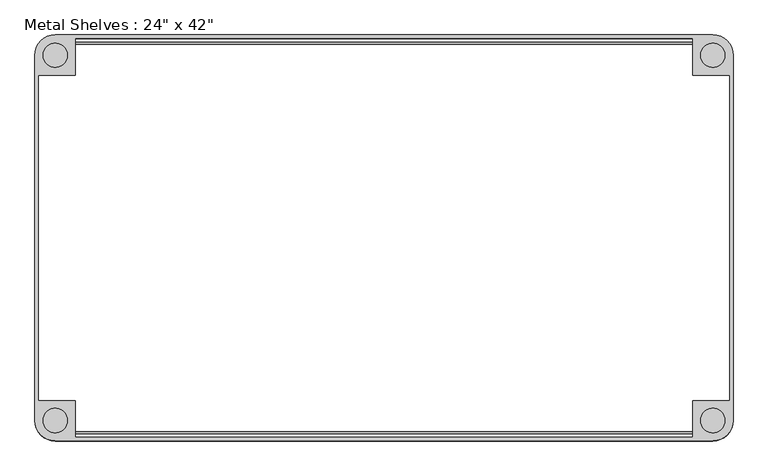
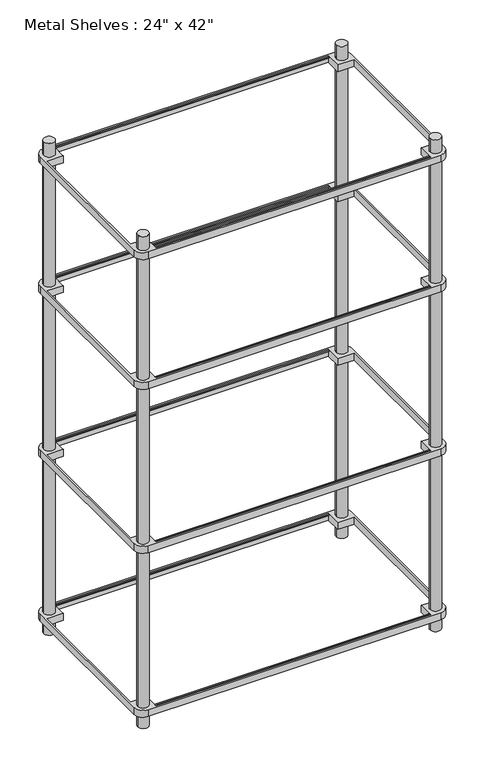
"""IFC4 building model written with IfcOpenShell, lengths in millimetres: furniture geometry."""

from ifc_helpers import new_model, si_unit, point, frame, frame_2d, origin, origin_with_axes, place, context, project, spatial, polyline, circle_curve, trimmed, segment, composite_curve, outline, extrude, source, transform, mapped, element, save


def furniture_14bb7b5d(model_context):
    return source(origin(), model_context, "Body", "SweptSolid", [
        extrude(outline(composite_curve([segment(trimmed(circle_curve(frame_2d((590.55, -285.75)), 31.75), [point((622.3, -285.75))], [point((590.55, -317.5))], False, "CARTESIAN"), True, "CONTINUOUS"), segment(polyline([(590.55, -317.5), (-438.15, -317.5)]), True, "CONTINUOUS"), segment(trimmed(circle_curve(frame_2d((-438.15, -285.75)), 31.75), [point((-438.15, -317.5))], [point((-469.9, -285.75))], False, "CARTESIAN"), True, "CONTINUOUS"), segment(polyline([(-469.9, -285.75), (-469.9, 285.75)]), True, "CONTINUOUS"), segment(trimmed(circle_curve(frame_2d((-438.15, 285.75)), 31.75), [point((-469.9, 285.75))], [point((-438.15, 317.5))], False, "CARTESIAN"), True, "CONTINUOUS"), segment(polyline([(-438.15, 317.5), (590.55, 317.5)]), True, "CONTINUOUS"), segment(trimmed(circle_curve(frame_2d((590.55, 285.75)), 31.75), [point((590.55, 317.5))], [point((622.3, 285.75))], False, "CARTESIAN"), True, "CONTINUOUS"), segment(polyline([(622.3, 285.75), (622.3, -285.75)]), True, "CONTINUOUS")], self_intersect=False), holes=[polyline([(-406.4, -311.15), (558.8, -311.15), (558.8, -254.0), (615.95, -254.0), (615.95, 254.0), (558.8, 254.0), (558.8, 311.15), (-406.4, 311.15), (-406.4, 254.0), (-463.55, 254.0), (-463.55, -254.0), (-406.4, -254.0), (-406.4, -311.15)]), composite_curve([segment(trimmed(circle_curve(frame_2d((590.55, -285.75)), 19.05), [point((571.5, -285.75))], [point((609.6, -285.75))], True, "CARTESIAN"), True, "CONTINUOUS"), segment(trimmed(circle_curve(frame_2d((590.55, -285.75)), 19.05), [point((609.6, -285.75))], [point((571.5, -285.75))], True, "CARTESIAN"), True, "CONTINUOUS")], self_intersect=False), composite_curve([segment(trimmed(circle_curve(frame_2d((590.55, 285.75)), 19.05), [point((571.5, 285.75))], [point((609.6, 285.75))], True, "CARTESIAN"), True, "CONTINUOUS"), segment(trimmed(circle_curve(frame_2d((590.55, 285.75)), 19.05), [point((609.6, 285.75))], [point((571.5, 285.75))], True, "CARTESIAN"), True, "CONTINUOUS")], self_intersect=False), composite_curve([segment(trimmed(circle_curve(frame_2d((-438.15, 285.75)), 19.05), [point((-419.1, 285.75))], [point((-457.2, 285.75))], True, "CARTESIAN"), True, "CONTINUOUS"), segment(trimmed(circle_curve(frame_2d((-438.15, 285.75)), 19.05), [point((-457.2, 285.75))], [point((-419.1, 285.75))], True, "CARTESIAN"), True, "CONTINUOUS")], self_intersect=False), composite_curve([segment(trimmed(circle_curve(frame_2d((-438.15, -285.75)), 19.05), [point((-419.1, -285.75))], [point((-457.2, -285.75))], True, "CARTESIAN"), True, "CONTINUOUS"), segment(trimmed(circle_curve(frame_2d((-438.15, -285.75)), 19.05), [point((-457.2, -285.75))], [point((-419.1, -285.75))], True, "CARTESIAN"), True, "CONTINUOUS")], self_intersect=False)]), frame((0.0, 0.0, 660.4), z_axis=(0.0, 0.0, 1.0), x_axis=(1.0, 0.0, 0.0)), (0.0, 0.0, 1.0), 25.4),
        extrude(outline(composite_curve([segment(trimmed(circle_curve(frame_2d((-438.15, -285.75)), 31.75), [point((-438.15, -317.5))], [point((-469.9, -285.75))], False, "CARTESIAN"), True, "CONTINUOUS"), segment(polyline([(-469.9, -285.75), (-469.9, 285.75)]), True, "CONTINUOUS"), segment(trimmed(circle_curve(frame_2d((-438.15, 285.75)), 31.75), [point((-469.9, 285.75))], [point((-438.15, 317.5))], False, "CARTESIAN"), True, "CONTINUOUS"), segment(polyline([(-438.15, 317.5), (590.55, 317.5)]), True, "CONTINUOUS"), segment(trimmed(circle_curve(frame_2d((590.55, 285.75)), 31.75), [point((590.55, 317.5))], [point((622.3, 285.75))], False, "CARTESIAN"), True, "CONTINUOUS"), segment(polyline([(622.3, 285.75), (622.3, -285.75)]), True, "CONTINUOUS"), segment(trimmed(circle_curve(frame_2d((590.55, -285.75)), 31.75), [point((622.3, -285.75))], [point((590.55, -317.5))], False, "CARTESIAN"), True, "CONTINUOUS"), segment(polyline([(590.55, -317.5), (-438.15, -317.5)]), True, "CONTINUOUS")], self_intersect=False), holes=[composite_curve([segment(trimmed(circle_curve(frame_2d((-438.15, -285.75)), 19.05), [point((-419.1, -285.75))], [point((-457.2, -285.75))], True, "CARTESIAN"), True, "CONTINUOUS"), segment(trimmed(circle_curve(frame_2d((-438.15, -285.75)), 19.05), [point((-457.2, -285.75))], [point((-419.1, -285.75))], True, "CARTESIAN"), True, "CONTINUOUS")], self_intersect=False), composite_curve([segment(trimmed(circle_curve(frame_2d((-438.15, 285.75)), 19.05), [point((-419.1, 285.75))], [point((-457.2, 285.75))], True, "CARTESIAN"), True, "CONTINUOUS"), segment(trimmed(circle_curve(frame_2d((-438.15, 285.75)), 19.05), [point((-457.2, 285.75))], [point((-419.1, 285.75))], True, "CARTESIAN"), True, "CONTINUOUS")], self_intersect=False), composite_curve([segment(trimmed(circle_curve(frame_2d((590.55, -285.75)), 19.05), [point((571.5, -285.75))], [point((609.6, -285.75))], True, "CARTESIAN"), True, "CONTINUOUS"), segment(trimmed(circle_curve(frame_2d((590.55, -285.75)), 19.05), [point((609.6, -285.75))], [point((571.5, -285.75))], True, "CARTESIAN"), True, "CONTINUOUS")], self_intersect=False), composite_curve([segment(trimmed(circle_curve(frame_2d((590.55, 285.75)), 19.05), [point((571.5, 285.75))], [point((609.6, 285.75))], True, "CARTESIAN"), True, "CONTINUOUS"), segment(trimmed(circle_curve(frame_2d((590.55, 285.75)), 19.05), [point((609.6, 285.75))], [point((571.5, 285.75))], True, "CARTESIAN"), True, "CONTINUOUS")], self_intersect=False), polyline([(-406.4, -311.15), (558.8, -311.15), (558.8, -254.0), (615.95, -254.0), (615.95, 254.0), (558.8, 254.0), (558.8, 311.15), (-406.4, 311.15), (-406.4, 254.0), (-463.55, 254.0), (-463.55, -254.0), (-406.4, -254.0), (-406.4, -311.15)])]), frame((0.0, 0.0, 50.8), z_axis=(0.0, 0.0, 1.0), x_axis=(1.0, 0.0, 0.0)), (0.0, 0.0, 1.0), 25.4),
        extrude(outline(composite_curve([segment(trimmed(circle_curve(frame_2d((-438.15, 285.75)), 31.75), [point((-469.9, 285.75))], [point((-438.15, 317.5))], False, "CARTESIAN"), True, "CONTINUOUS"), segment(polyline([(-438.15, 317.5), (590.55, 317.5)]), True, "CONTINUOUS"), segment(trimmed(circle_curve(frame_2d((590.55, 285.75)), 31.75), [point((590.55, 317.5))], [point((622.3, 285.75))], False, "CARTESIAN"), True, "CONTINUOUS"), segment(polyline([(622.3, 285.75), (622.3, -285.75)]), True, "CONTINUOUS"), segment(trimmed(circle_curve(frame_2d((590.55, -285.75)), 31.75), [point((622.3, -285.75))], [point((590.55, -317.5))], False, "CARTESIAN"), True, "CONTINUOUS"), segment(polyline([(590.55, -317.5), (-438.15, -317.5)]), True, "CONTINUOUS"), segment(trimmed(circle_curve(frame_2d((-438.15, -285.75)), 31.75), [point((-438.15, -317.5))], [point((-469.9, -285.75))], False, "CARTESIAN"), True, "CONTINUOUS"), segment(polyline([(-469.9, -285.75), (-469.9, 285.75)]), True, "CONTINUOUS")], self_intersect=False), holes=[composite_curve([segment(trimmed(circle_curve(frame_2d((-438.15, 285.75)), 19.05), [point((-419.1, 285.75))], [point((-457.2, 285.75))], True, "CARTESIAN"), True, "CONTINUOUS"), segment(trimmed(circle_curve(frame_2d((-438.15, 285.75)), 19.05), [point((-457.2, 285.75))], [point((-419.1, 285.75))], True, "CARTESIAN"), True, "CONTINUOUS")], self_intersect=False), composite_curve([segment(trimmed(circle_curve(frame_2d((-438.15, -285.75)), 19.05), [point((-419.1, -285.75))], [point((-457.2, -285.75))], True, "CARTESIAN"), True, "CONTINUOUS"), segment(trimmed(circle_curve(frame_2d((-438.15, -285.75)), 19.05), [point((-457.2, -285.75))], [point((-419.1, -285.75))], True, "CARTESIAN"), True, "CONTINUOUS")], self_intersect=False), composite_curve([segment(trimmed(circle_curve(frame_2d((590.55, -285.75)), 19.05), [point((571.5, -285.75))], [point((609.6, -285.75))], True, "CARTESIAN"), True, "CONTINUOUS"), segment(trimmed(circle_curve(frame_2d((590.55, -285.75)), 19.05), [point((609.6, -285.75))], [point((571.5, -285.75))], True, "CARTESIAN"), True, "CONTINUOUS")], self_intersect=False), polyline([(-406.4, -311.15), (558.8, -311.15), (558.8, -254.0), (615.95, -254.0), (615.95, 254.0), (558.8, 254.0), (558.8, 311.15), (-406.4, 311.15), (-406.4, 254.0), (-463.55, 254.0), (-463.55, -254.0), (-406.4, -254.0), (-406.4, -311.15)]), composite_curve([segment(trimmed(circle_curve(frame_2d((590.55, 285.75)), 19.05), [point((571.5, 285.75))], [point((609.6, 285.75))], True, "CARTESIAN"), True, "CONTINUOUS"), segment(trimmed(circle_curve(frame_2d((590.55, 285.75)), 19.05), [point((609.6, 285.75))], [point((571.5, 285.75))], True, "CARTESIAN"), True, "CONTINUOUS")], self_intersect=False)]), frame((0.0, 0.0, 1270.0), z_axis=(0.0, 0.0, 1.0), x_axis=(1.0, 0.0, 0.0)), (0.0, 0.0, 1.0), 25.4),
        extrude(outline(composite_curve([segment(trimmed(circle_curve(frame_2d((-438.15, -285.75)), 31.75), [point((-438.15, -317.5))], [point((-469.9, -285.75))], False, "CARTESIAN"), True, "CONTINUOUS"), segment(polyline([(-469.9, -285.75), (-469.9, 285.75)]), True, "CONTINUOUS"), segment(trimmed(circle_curve(frame_2d((-438.15, 285.75)), 31.75), [point((-469.9, 285.75))], [point((-438.15, 317.5))], False, "CARTESIAN"), True, "CONTINUOUS"), segment(polyline([(-438.15, 317.5), (590.55, 317.5)]), True, "CONTINUOUS"), segment(trimmed(circle_curve(frame_2d((590.55, 285.75)), 31.75), [point((590.55, 317.5))], [point((622.3, 285.75))], False, "CARTESIAN"), True, "CONTINUOUS"), segment(polyline([(622.3, 285.75), (622.3, -285.75)]), True, "CONTINUOUS"), segment(trimmed(circle_curve(frame_2d((590.55, -285.75)), 31.75), [point((622.3, -285.75))], [point((590.55, -317.5))], False, "CARTESIAN"), True, "CONTINUOUS"), segment(polyline([(590.55, -317.5), (-438.15, -317.5)]), True, "CONTINUOUS")], self_intersect=False), holes=[composite_curve([segment(trimmed(circle_curve(frame_2d((590.55, 285.75)), 19.05), [point((571.5, 285.75))], [point((609.6, 285.75))], True, "CARTESIAN"), True, "CONTINUOUS"), segment(trimmed(circle_curve(frame_2d((590.55, 285.75)), 19.05), [point((609.6, 285.75))], [point((571.5, 285.75))], True, "CARTESIAN"), True, "CONTINUOUS")], self_intersect=False), composite_curve([segment(trimmed(circle_curve(frame_2d((590.55, -285.75)), 19.05), [point((571.5, -285.75))], [point((609.6, -285.75))], True, "CARTESIAN"), True, "CONTINUOUS"), segment(trimmed(circle_curve(frame_2d((590.55, -285.75)), 19.05), [point((609.6, -285.75))], [point((571.5, -285.75))], True, "CARTESIAN"), True, "CONTINUOUS")], self_intersect=False), composite_curve([segment(trimmed(circle_curve(frame_2d((-438.15, 285.75)), 19.05), [point((-419.1, 285.75))], [point((-457.2, 285.75))], True, "CARTESIAN"), True, "CONTINUOUS"), segment(trimmed(circle_curve(frame_2d((-438.15, 285.75)), 19.05), [point((-457.2, 285.75))], [point((-419.1, 285.75))], True, "CARTESIAN"), True, "CONTINUOUS")], self_intersect=False), polyline([(615.95, -254.0), (615.95, 254.0), (558.8, 254.0), (558.8, 311.15), (-406.4, 311.15), (-406.4, 254.0), (-463.55, 254.0), (-463.55, -254.0), (-406.4, -254.0), (-406.4, -311.15), (558.8, -311.15), (558.8, -254.0), (615.95, -254.0)]), composite_curve([segment(trimmed(circle_curve(frame_2d((-438.15, -285.75)), 19.05), [point((-419.1, -285.75))], [point((-457.2, -285.75))], True, "CARTESIAN"), True, "CONTINUOUS"), segment(trimmed(circle_curve(frame_2d((-438.15, -285.75)), 19.05), [point((-457.2, -285.75))], [point((-419.1, -285.75))], True, "CARTESIAN"), True, "CONTINUOUS")], self_intersect=False)]), frame((0.0, 0.0, 1752.6), z_axis=(0.0, 0.0, 1.0), x_axis=(1.0, 0.0, 0.0)), (0.0, 0.0, 1.0), 25.4),
        extrude(outline(composite_curve([segment(trimmed(circle_curve(frame_2d((304.8, 1776.4125)), 1.5875), [point((303.2125, 1776.4125))], [point((306.3875, 1776.4125))], False, "CARTESIAN"), True, "CONTINUOUS"), segment(trimmed(circle_curve(frame_2d((304.8, 1776.4125)), 1.5875), [point((306.3875, 1776.4125))], [point((303.2125, 1776.4125))], False, "CARTESIAN"), True, "CONTINUOUS")], self_intersect=False)), frame((-406.4, 0.0, 0.0), z_axis=(1.0, 0.0, 0.0), x_axis=(0.0, 1.0, 0.0)), (0.0, 0.0, 1.0), 965.2),
        extrude(outline(composite_curve([segment(trimmed(circle_curve(frame_2d((-304.8, 1776.4125)), 1.5875), [point((-306.3875, 1776.4125))], [point((-303.2125, 1776.4125))], False, "CARTESIAN"), True, "CONTINUOUS"), segment(trimmed(circle_curve(frame_2d((-304.8, 1776.4125)), 1.5875), [point((-303.2125, 1776.4125))], [point((-306.3875, 1776.4125))], False, "CARTESIAN"), True, "CONTINUOUS")], self_intersect=False)), frame((-406.4, 0.0, 0.0), z_axis=(1.0, 0.0, 0.0), x_axis=(0.0, 1.0, 0.0)), (0.0, 0.0, 1.0), 965.2),
        extrude(outline(composite_curve([segment(trimmed(circle_curve(frame_2d((304.8, 1293.8125)), 1.5875), [point((303.2125, 1293.8125))], [point((306.3875, 1293.8125))], False, "CARTESIAN"), True, "CONTINUOUS"), segment(trimmed(circle_curve(frame_2d((304.8, 1293.8125)), 1.5875), [point((306.3875, 1293.8125))], [point((303.2125, 1293.8125))], False, "CARTESIAN"), True, "CONTINUOUS")], self_intersect=False)), frame((-406.4, 0.0, 0.0), z_axis=(1.0, 0.0, 0.0), x_axis=(0.0, 1.0, 0.0)), (0.0, 0.0, 1.0), 965.2),
        extrude(outline(composite_curve([segment(trimmed(circle_curve(frame_2d((-304.8, 1293.8125)), 1.5875), [point((-306.3875, 1293.8125))], [point((-303.2125, 1293.8125))], False, "CARTESIAN"), True, "CONTINUOUS"), segment(trimmed(circle_curve(frame_2d((-304.8, 1293.8125)), 1.5875), [point((-303.2125, 1293.8125))], [point((-306.3875, 1293.8125))], False, "CARTESIAN"), True, "CONTINUOUS")], self_intersect=False)), frame((-406.4, 0.0, 0.0), z_axis=(1.0, 0.0, 0.0), x_axis=(0.0, 1.0, 0.0)), (0.0, 0.0, 1.0), 965.2),
        extrude(outline(composite_curve([segment(trimmed(circle_curve(frame_2d((304.8, 684.2125)), 1.5875), [point((303.2125, 684.2125))], [point((306.3875, 684.2125))], False, "CARTESIAN"), True, "CONTINUOUS"), segment(trimmed(circle_curve(frame_2d((304.8, 684.2125)), 1.5875), [point((306.3875, 684.2125))], [point((303.2125, 684.2125))], False, "CARTESIAN"), True, "CONTINUOUS")], self_intersect=False)), frame((-406.4, 0.0, 0.0), z_axis=(1.0, 0.0, 0.0), x_axis=(0.0, 1.0, 0.0)), (0.0, 0.0, 1.0), 965.2),
        extrude(outline(composite_curve([segment(trimmed(circle_curve(frame_2d((-304.8, 684.2125)), 1.5875), [point((-306.3875, 684.2125))], [point((-303.2125, 684.2125))], False, "CARTESIAN"), True, "CONTINUOUS"), segment(trimmed(circle_curve(frame_2d((-304.8, 684.2125)), 1.5875), [point((-303.2125, 684.2125))], [point((-306.3875, 684.2125))], False, "CARTESIAN"), True, "CONTINUOUS")], self_intersect=False)), frame((-406.4, 0.0, 0.0), z_axis=(1.0, 0.0, 0.0), x_axis=(0.0, 1.0, 0.0)), (0.0, 0.0, 1.0), 965.2),
        extrude(outline(composite_curve([segment(trimmed(circle_curve(frame_2d((304.8, 74.6125)), 1.5875), [point((303.2125, 74.6125))], [point((306.3875, 74.6125))], False, "CARTESIAN"), True, "CONTINUOUS"), segment(trimmed(circle_curve(frame_2d((304.8, 74.6125)), 1.5875), [point((306.3875, 74.6125))], [point((303.2125, 74.6125))], False, "CARTESIAN"), True, "CONTINUOUS")], self_intersect=False)), frame((-406.4, 0.0, 0.0), z_axis=(1.0, 0.0, 0.0), x_axis=(0.0, 1.0, 0.0)), (0.0, 0.0, 1.0), 965.2),
        extrude(outline(composite_curve([segment(trimmed(circle_curve(frame_2d((-304.8, 74.6125)), 1.5875), [point((-306.3875, 74.6125))], [point((-303.2125, 74.6125))], False, "CARTESIAN"), True, "CONTINUOUS"), segment(trimmed(circle_curve(frame_2d((-304.8, 74.6125)), 1.5875), [point((-303.2125, 74.6125))], [point((-306.3875, 74.6125))], False, "CARTESIAN"), True, "CONTINUOUS")], self_intersect=False)), frame((-406.4, 0.0, 0.0), z_axis=(1.0, 0.0, 0.0), x_axis=(0.0, 1.0, 0.0)), (0.0, 0.0, 1.0), 965.2),
        extrude(outline(composite_curve([segment(trimmed(circle_curve(frame_2d((590.55, -285.75)), 19.05), [point((609.6, -285.75))], [point((571.5, -285.75))], False, "CARTESIAN"), True, "CONTINUOUS"), segment(trimmed(circle_curve(frame_2d((590.55, -285.75)), 19.05), [point((571.5, -285.75))], [point((609.6, -285.75))], False, "CARTESIAN"), True, "CONTINUOUS")], self_intersect=False)), origin_with_axes(), (0.0, 0.0, 1.0), 1828.8),
        extrude(outline(composite_curve([segment(trimmed(circle_curve(frame_2d((-438.15, -285.75)), 19.05), [point((-457.2, -285.75))], [point((-419.1, -285.75))], False, "CARTESIAN"), True, "CONTINUOUS"), segment(trimmed(circle_curve(frame_2d((-438.15, -285.75)), 19.05), [point((-419.1, -285.75))], [point((-457.2, -285.75))], False, "CARTESIAN"), True, "CONTINUOUS")], self_intersect=False)), origin_with_axes(), (0.0, 0.0, 1.0), 1828.8),
        extrude(outline(composite_curve([segment(trimmed(circle_curve(frame_2d((590.55, 285.75)), 19.05), [point((609.6, 285.75))], [point((571.5, 285.75))], False, "CARTESIAN"), True, "CONTINUOUS"), segment(trimmed(circle_curve(frame_2d((590.55, 285.75)), 19.05), [point((571.5, 285.75))], [point((609.6, 285.75))], False, "CARTESIAN"), True, "CONTINUOUS")], self_intersect=False)), origin_with_axes(), (0.0, 0.0, 1.0), 1828.8),
        extrude(outline(composite_curve([segment(trimmed(circle_curve(frame_2d((-438.15, 285.75)), 19.05), [point((-457.2, 285.75))], [point((-419.1, 285.75))], False, "CARTESIAN"), True, "CONTINUOUS"), segment(trimmed(circle_curve(frame_2d((-438.15, 285.75)), 19.05), [point((-419.1, 285.75))], [point((-457.2, 285.75))], False, "CARTESIAN"), True, "CONTINUOUS")], self_intersect=False)), origin_with_axes(), (0.0, 0.0, 1.0), 1828.8),
    ])


if __name__ == "__main__":
    model = new_model("IFC4")
    model_context = context("Model", 3, world=origin())
    ifc_project = project(units=[si_unit("LENGTHUNIT", "METRE", prefix="MILLI")], contexts=[model_context])
    site = spatial("IfcSite", under=ifc_project)
    building = spatial("IfcBuilding", under=site)
    placement = place(None, origin())
    furniture_shape = furniture_14bb7b5d(model_context)
    element("IfcFurniture", 1, ObjectType="Metal Shelves : 24\" x 42\"", at=placement, inside=building, context=model_context, shape_type="MappedRepresentation", body=[
        mapped(furniture_shape, transform((0.0, 0.0, 0.0), x_axis=(1.0, 0.0, 0.0), y_axis=(0.0, 1.0, 0.0), z_axis=(0.0, 0.0, 1.0))),
    ])
    save(model, "model.ifc")
